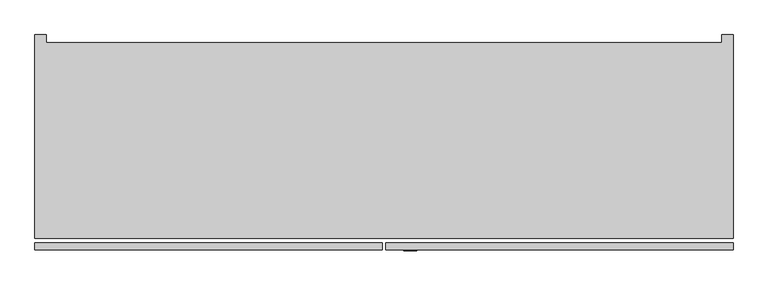
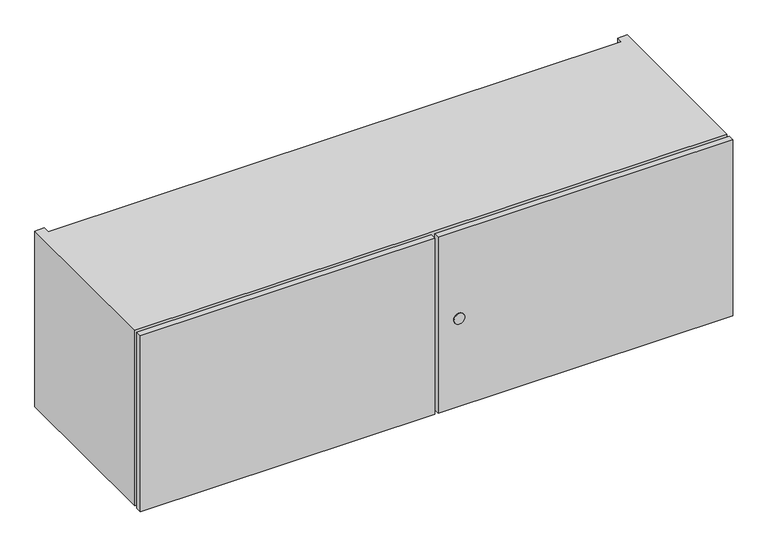
"""IFC4 building model written with IfcOpenShell, lengths in millimetres: furniture geometry."""

from ifc_helpers import new_model, si_unit, point, frame, frame_2d, origin, place, context, project, spatial, polyline, circle_curve, trimmed, segment, composite_curve, outline, extrude, faceted_brep, source, transform, mapped, element, save


def furniture_32717c26(model_context):
    return source(origin(), model_context, "Body", "SolidModel", [
        extrude(outline(composite_curve([segment(trimmed(circle_curve(frame_2d((1231.9, 195.7578)), 11.18616), [point((1231.9, 206.94396))], [point((1231.9, 184.57164))], False, "CARTESIAN"), True, "CONTINUOUS"), segment(trimmed(circle_curve(frame_2d((1231.9, 195.7578)), 11.18616), [point((1231.9, 184.57164))], [point((1231.9, 206.94396))], False, "CARTESIAN"), True, "CONTINUOUS")], self_intersect=False)), frame((0.0, -217.4148724, 0.0), z_axis=(0.0, 1.0, 0.0), x_axis=(0.0, 0.0, 1.0)), (0.0, 0.0, 1.0), 1.5875),
        extrude(outline(polyline([(146.685, -215.8273724), (-457.2, -215.8273724), (-457.2, -203.1273724), (146.685, -203.1273724), (146.685, -215.8273724)])), frame((0.0, 0.0, 1041.4), z_axis=(0.0, 0.0, 1.0), x_axis=(1.0, 0.0, 0.0)), (0.0, 0.0, 1.0), 381.0),
        extrude(outline(polyline([(756.92, -215.8273724), (153.035, -215.8273724), (153.035, -203.1273724), (756.92, -203.1273724), (756.92, -215.8273724)])), frame((0.0, 0.0, 1041.4), z_axis=(0.0, 0.0, 1.0), x_axis=(1.0, 0.0, 0.0)), (0.0, 0.0, 1.0), 381.0),
        extrude(outline(polyline([(737.616, 145.5282676), (737.616, 126.2242676), (-437.896, 126.2242676), (-437.896, 145.5282676), (737.616, 145.5282676)])), frame((0.0, 0.0, 1060.704), z_axis=(0.0, 0.0, 1.0), x_axis=(1.0, 0.0, 0.0)), (0.0, 0.0, 1.0), 342.392),
        faceted_brep([(-457.2, -195.5073724, 1422.4), (-457.2, -195.5073724, 1041.4), (756.92, -195.5073724, 1041.4), (756.92, -195.5073724, 1422.4), (-437.896, -195.5073724, 1403.096), (737.616, -195.5073724, 1403.096), (737.616, -195.5073724, 1060.704), (-437.896, -195.5073724, 1060.704), (737.616, 145.5282676, 1403.096), (-437.896, 145.5282676, 1403.096), (-437.896, 145.5282676, 1422.4), (737.616, 145.5282676, 1422.4), (737.616, 145.5282676, 1041.4), (-437.896, 145.5282676, 1041.4), (-437.896, 145.5282676, 1060.704), (737.616, 145.5282676, 1060.704), (756.92, 158.8226276, 1422.4), (737.616, 158.8226276, 1422.4), (-437.896, 158.8226276, 1422.4), (-457.2, 158.8226276, 1422.4), (-457.2, 158.8226276, 1041.4), (-437.896, 158.8226276, 1041.4), (737.616, 158.8226276, 1041.4), (756.92, 158.8226276, 1041.4)], [[[0, 1, 2, 3], [4, 5, 6, 7]], [[8, 9, 10, 11]], [[12, 13, 14, 15]], [[0, 3, 16, 17, 11, 10, 18, 19]], [[5, 4, 9, 8]], [[7, 6, 15, 14]], [[2, 1, 20, 21, 13, 12, 22, 23]], [[19, 18, 21, 20]], [[0, 19, 20, 1]], [[21, 18, 10, 9, 4, 7, 14, 13]], [[17, 22, 12, 15, 6, 5, 8, 11]], [[16, 3, 2, 23]], [[17, 16, 23, 22]]]),
    ])


if __name__ == "__main__":
    model = new_model("IFC4")
    model_context = context("Model", 3, world=origin())
    ifc_project = project(units=[si_unit("LENGTHUNIT", "METRE", prefix="MILLI")], contexts=[model_context])
    site = spatial("IfcSite", under=ifc_project)
    building = spatial("IfcBuilding", under=site)
    placement = place(None, origin())
    furniture_shape = furniture_32717c26(model_context)
    element("IfcFurniture", 1, at=placement, inside=building, context=model_context, shape_type="MappedRepresentation", body=[
        mapped(furniture_shape, transform((0.0, 0.0, 0.0), x_axis=(1.0, 0.0, 0.0), y_axis=(0.0, 1.0, 0.0), z_axis=(0.0, 0.0, 1.0))),
    ])
    save(model, "model.ifc")
